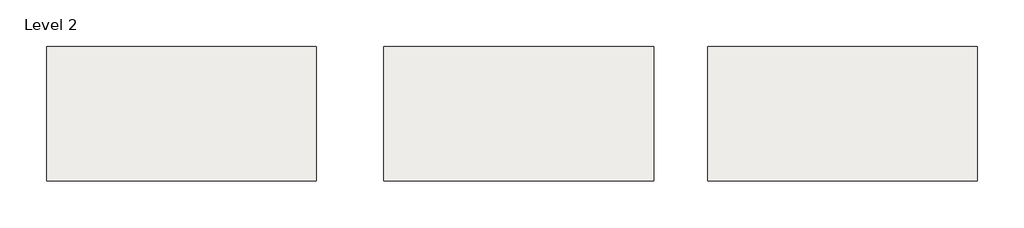
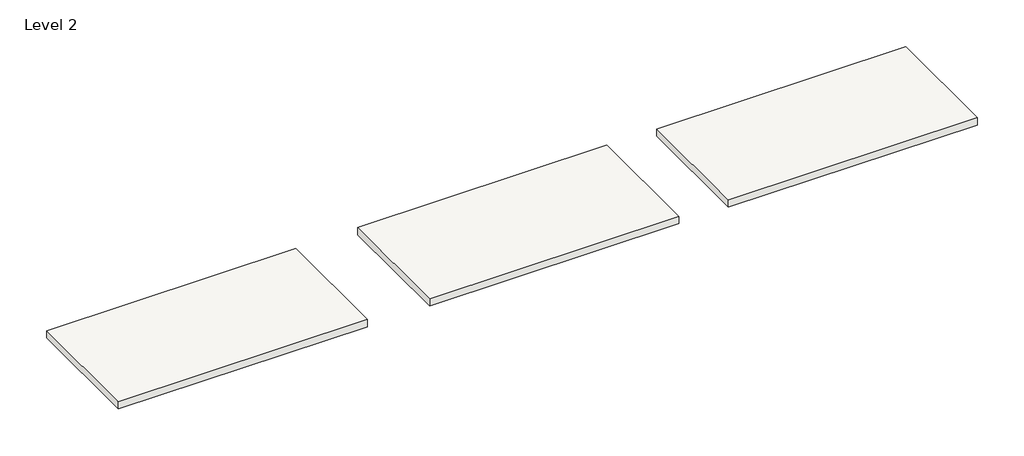
# One storey, part 2 of 2: 3 slabs.
"""IFC4 building model written with IfcOpenShell, lengths in millimetres."""

import ifcopenshell
import ifcopenshell.guid

model = None  # the IFC model being written
_history = None  # IfcOwnerHistory: only IFC2X3 demands one
_inside = {}  # id of a spatial element -> (the spatial element, [elements in it])
_under = {}  # id of a project, library or spatial element -> (it, [spatial elements below it])
_declared = {}  # id of a project -> (the project, [libraries it declares])
_typed = {}  # id of a type object -> (the type object, [elements of that type])
_made_of = {}  # id of a material, layer set ... -> (it, [elements and type objects made of it])


def new_model(schema):
    """Start an empty IFC model of exactly this schema.

    Asked for "IFC4X3", IfcOpenShell would pick the latest addendum, in which some entities
    have other attributes; the version numbers below select the first issue.
    IFC2X3 requires an IfcOwnerHistory on every rooted entity: one is made here for all.
    """
    global model, _history
    if schema == "IFC4X3":
        model = ifcopenshell.file(schema_version=(4, 3, 0, 0))
    else:
        model = ifcopenshell.file(schema=schema)
    _inside.clear()
    _under.clear()
    _declared.clear()
    _typed.clear()
    _made_of.clear()
    _history = None
    if model.schema == "IFC2X3":
        org = make("IfcOrganization", Name="unknown")
        user = make(
            "IfcPersonAndOrganization",
            ThePerson=make("IfcPerson", FamilyName="unknown"),
            TheOrganization=org,
        )
        app = make(
            "IfcApplication",
            ApplicationDeveloper=org,
            Version="unknown",
            ApplicationFullName="unknown",
            ApplicationIdentifier="unknown",
        )
        _history = make(
            "IfcOwnerHistory",
            OwningUser=user,
            OwningApplication=app,
            ChangeAction="ADDED",
            CreationDate=0,
        )
    return model


def make(cls, **values):
    """One entity of the class cls with the attributes given. An attribute that is None is left unset."""
    return model.create_entity(
        cls, **{name: value for name, value in values.items() if value is not None}
    )


def rooted(cls, **values):
    """An entity with a GlobalId (a new one), such as an element, a storey or a relation."""
    return make(cls, GlobalId=ifcopenshell.guid.new(), OwnerHistory=_history, **values)


def si_unit(unit_type, name, prefix=None):
    """IfcSIUnit, for example si_unit("LENGTHUNIT", "METRE", prefix="MILLI")."""
    return make("IfcSIUnit", UnitType=unit_type, Prefix=prefix, Name=name)


def assignment(units):
    """IfcUnitAssignment: the units of a project."""
    return None if units is None else make("IfcUnitAssignment", Units=units)


def point(xyz):
    """IfcCartesianPoint."""
    return None if xyz is None else make("IfcCartesianPoint", Coordinates=xyz)


def direction(xyz):
    """IfcDirection."""
    return None if xyz is None else make("IfcDirection", DirectionRatios=xyz)


def frame(location, z_axis=None, x_axis=None):
    """IfcAxis2Placement3D, a coordinate frame: its origin and axes. An axis left out is left unset."""
    return make(
        "IfcAxis2Placement3D",
        Location=point(location),
        Axis=direction(z_axis),
        RefDirection=direction(x_axis),
    )


def origin():
    """The frame at (0, 0, 0) with its axes left unset."""
    return frame((0.0, 0.0, 0.0))


def place(relative_to, where):
    """IfcLocalPlacement: puts the frame where relative to a parent placement (None: the world)."""
    return make(
        "IfcLocalPlacement", PlacementRelTo=relative_to, RelativePlacement=where
    )


def context(
    kind, dimensions, precision=None, world=None, true_north=None, identifier=None
):
    """IfcGeometricRepresentationContext, for example the 3D "Model" context."""
    return make(
        "IfcGeometricRepresentationContext",
        ContextIdentifier=identifier,
        ContextType=kind,
        CoordinateSpaceDimension=dimensions,
        Precision=precision,
        WorldCoordinateSystem=world,
        TrueNorth=true_north,
    )


def project(units=None, contexts=None):
    """IfcProject with its units and contexts."""
    return rooted(
        "IfcProject",
        Name="project",
        RepresentationContexts=contexts,
        UnitsInContext=assignment(units),
    )


def spatial(cls, under=None, at=None, **own):
    """A site, building, storey or space (cls), placed at a placement, below another one or the project."""
    s = rooted(cls, ObjectPlacement=at, **own)
    if under is not None:
        _under.setdefault(under.id(), (under, []))[1].append(s)
    return s


def polyline(points):
    """IfcPolyline through the points."""
    return make("IfcPolyline", Points=[point(p) for p in points])


def outline(outer, holes=None, kind="AREA"):
    """IfcArbitraryClosedProfileDef: a profile drawn as a closed curve; with holes, ...WithVoids."""
    if holes is None:
        return make("IfcArbitraryClosedProfileDef", ProfileType=kind, OuterCurve=outer)
    return make(
        "IfcArbitraryProfileDefWithVoids",
        ProfileType=kind,
        OuterCurve=outer,
        InnerCurves=holes,
    )


def extrude(swept, where, along, depth):
    """IfcExtrudedAreaSolid: the profile swept, set in the frame where, extruded along a direction by depth."""
    return make(
        "IfcExtrudedAreaSolid",
        SweptArea=swept,
        Position=where,
        ExtrudedDirection=direction(along),
        Depth=depth,
    )


def shape(context_of_items, identifier, shape_type, items):
    """IfcShapeRepresentation: the items that make up one representation, for example the "Body"."""
    return make(
        "IfcShapeRepresentation",
        ContextOfItems=context_of_items,
        RepresentationIdentifier=identifier,
        RepresentationType=shape_type,
        Items=items,
    )


def made_of(thing, what):
    """Note that an element or type object is made of a material, layer set ...; save() writes the relation."""
    if what is not None:
        _made_of.setdefault(what.id(), (what, []))[1].append(thing)
    return thing


def element(
    cls,
    number,
    at=None,
    inside=None,
    cuts=None,
    type_object=None,
    material=None,
    context=None,
    identifier="Body",
    shape_type=None,
    held_by="IfcProductDefinitionShape",
    body=None,
    shapes=None,
    **own,
):
    """One element of the class cls, such as IfcWall. Its Tag is "e" and its number.

    at: its placement. inside: the storey or other place that contains it. cuts: it is an
    opening in that element (IfcRelVoidsElement). A single representation is given by context,
    identifier, shape_type and body (its items); several are given by shapes. held_by: the class
    of the entity that holds the representations. save() writes the other relations.
    """
    e = rooted(cls, Tag="e%d" % number, ObjectPlacement=at, **own)
    if body is not None:
        shapes = [shape(context, identifier, shape_type, body)]
    if shapes is not None:
        e.Representation = make(held_by, Representations=shapes)
    if inside is not None:
        _inside.setdefault(inside.id(), (inside, []))[1].append(e)
    if cuts is not None:
        rooted(
            "IfcRelVoidsElement", RelatingBuildingElement=cuts, RelatedOpeningElement=e
        )
    if type_object is not None:
        _typed.setdefault(type_object.id(), (type_object, []))[1].append(e)
    return made_of(e, material)


def aggregate(whole, parts):
    """IfcRelAggregates: a whole, such as a stair, and the parts it consists of."""
    return rooted("IfcRelAggregates", RelatingObject=whole, RelatedObjects=parts)


def save(model, path):
    """Write the relations noted so far, then the file.

    IfcRelAggregates (storeys below a building ...), IfcRelContainedInSpatialStructure (elements
    in a storey), IfcRelDefinesByType, IfcRelAssociatesMaterial and IfcRelDeclares: one each for
    every whole, place, type object, material and project.
    """
    for whole, parts in _under.values():
        aggregate(whole, parts)
    for where, things in _inside.values():
        rooted(
            "IfcRelContainedInSpatialStructure",
            RelatedElements=things,
            RelatingStructure=where,
        )
    for kind, things in _typed.values():
        rooted("IfcRelDefinesByType", RelatedObjects=things, RelatingType=kind)
    for what, things in _made_of.values():
        rooted("IfcRelAssociatesMaterial", RelatedObjects=things, RelatingMaterial=what)
    for by, libraries in _declared.values():
        rooted("IfcRelDeclares", RelatingContext=by, RelatedDefinitions=libraries)
    model.write(path)


model = new_model("IFC4")

# Units and contexts
model_context = context("Model", 3, world=origin())
ifc_project = project(units=[si_unit("LENGTHUNIT", "METRE", prefix="MILLI")], contexts=[model_context])

# Site, building, storey
site = spatial("IfcSite", under=ifc_project)
building = spatial("IfcBuilding", under=site)
storey = spatial("IfcBuildingStorey", under=building, Name="Level 2", Elevation=4000.0)

# Slabs
placement = place(None, origin())
element("IfcSlab", 1, ObjectType="Generic 300mm", at=placement, inside=storey, context=model_context, shape_type="SweptSolid", body=[
    extrude(outline(polyline([(-820.6583905, 5046.8134722), (9179.3416095, 5046.8134722), (9179.3416095, 46.8134722), (-820.6583905, 46.8134722), (-820.6583905, 5046.8134722)])), frame((0.0, 0.0, 4000.0), z_axis=(0.0, 0.0, 1.0), x_axis=(1.0, 0.0, 0.0)), (0.0, 0.0, 1.0), 300.0),
])
element("IfcSlab", 2, ObjectType="Generic 300mm", at=placement, inside=storey, context=model_context, shape_type="SweptSolid", body=[
    extrude(outline(polyline([(-12820.6583905, 5046.8134722), (-2820.6583905, 5046.8134722), (-2820.6583905, 46.8134722), (-12820.6583905, 46.8134722), (-12820.6583905, 5046.8134722)])), frame((0.0, 0.0, 4000.0), z_axis=(0.0, 0.0, 1.0), x_axis=(1.0, 0.0, 0.0)), (0.0, 0.0, 1.0), 300.0),
])
element("IfcSlab", 3, ObjectType="Generic 300mm", at=placement, inside=storey, context=model_context, shape_type="SweptSolid", body=[
    extrude(outline(polyline([(-25320.6583905, 5046.8134722), (-15320.6583905, 5046.8134722), (-15320.6583905, 46.8134722), (-25320.6583905, 46.8134722), (-25320.6583905, 5046.8134722)])), frame((0.0, 0.0, 4000.0), z_axis=(0.0, 0.0, 1.0), x_axis=(1.0, 0.0, 0.0)), (0.0, 0.0, 1.0), 300.0),
])

save(model, "model.ifc")
